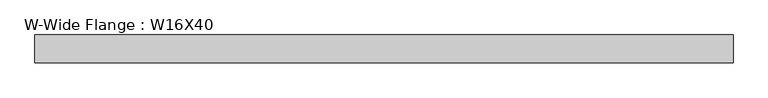
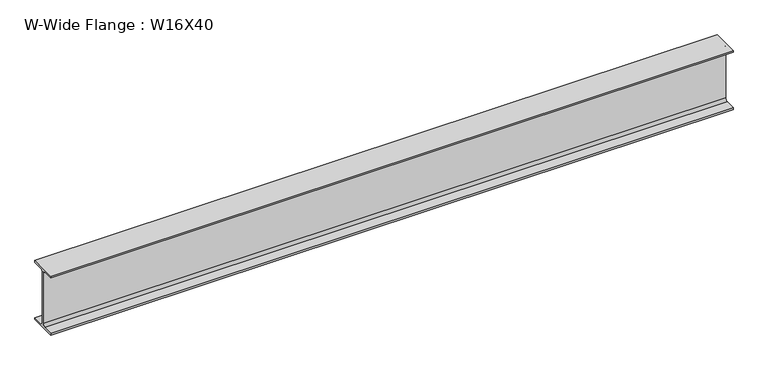
"""IFC4 building model written with IfcOpenShell, lengths in millimetres: beam geometry, W-Wide Flange : W16X40."""

from ifc_helpers import new_model, si_unit, point, frame, frame_2d, origin, place, context, project, spatial, polyline, circle_curve, trimmed, segment, composite_curve, outline, extrude, source, transform, mapped, element, save


def w_wide_flange_w16x40_bffa034f(model_context):
    return source(origin(), model_context, "Body", "SweptSolid", [
        extrude(outline(composite_curve([segment(polyline([(88.9, -190.4), (88.9, -203.2), (-88.9, -203.2), (-88.9, -190.4), (-21.25, -190.4)]), True, "CONTINUOUS"), segment(trimmed(circle_curve(frame_2d((-21.25, -173.0)), 17.4), [point((-21.25, -190.4))], [point((-3.85, -173.0))], True, "CARTESIAN"), True, "CONTINUOUS"), segment(polyline([(-3.85, -173.0), (-3.85, 173.0)]), True, "CONTINUOUS"), segment(trimmed(circle_curve(frame_2d((-21.25, 173.0)), 17.4), [point((-3.85, 173.0))], [point((-21.25, 190.4))], True, "CARTESIAN"), True, "CONTINUOUS"), segment(polyline([(-21.25, 190.4), (-88.9, 190.4), (-88.9, 203.2), (88.9, 203.2), (88.9, 190.4), (21.25, 190.4)]), True, "CONTINUOUS"), segment(trimmed(circle_curve(frame_2d((21.25, 173.0)), 17.4), [point((21.25, 190.4))], [point((3.85, 173.0))], True, "CARTESIAN"), True, "CONTINUOUS"), segment(polyline([(3.85, 173.0), (3.85, -173.0)]), True, "CONTINUOUS"), segment(trimmed(circle_curve(frame_2d((21.25, -173.0)), 17.4), [point((3.85, -173.0))], [point((21.25, -190.4))], True, "CARTESIAN"), True, "CONTINUOUS"), segment(polyline([(21.25, -190.4), (88.9, -190.4)]), True, "CONTINUOUS")], self_intersect=False)), frame((-1819.1523973, 0.0, 0.0), z_axis=(1.0, 0.0, 0.0), x_axis=(0.0, 1.0, 0.0)), (0.0, 0.0, 1.0), 4443.8102895),
    ])


if __name__ == "__main__":
    model = new_model("IFC4")
    model_context = context("Model", 3, world=origin())
    ifc_project = project(units=[si_unit("LENGTHUNIT", "METRE", prefix="MILLI")], contexts=[model_context])
    site = spatial("IfcSite", under=ifc_project)
    building = spatial("IfcBuilding", under=site)
    placement = place(None, origin())
    w_wide_flange_w16x40_shape = w_wide_flange_w16x40_bffa034f(model_context)
    element("IfcBeam", 1, ObjectType="W-Wide Flange : W16X40", at=placement, inside=building, context=model_context, shape_type="MappedRepresentation", body=[
        mapped(w_wide_flange_w16x40_shape, transform((0.0, 0.0, 0.0), x_axis=(1.0, 0.0, 0.0), y_axis=(0.0, 1.0, 0.0), z_axis=(0.0, 0.0, 1.0))),
    ])
    save(model, "model.ifc")
